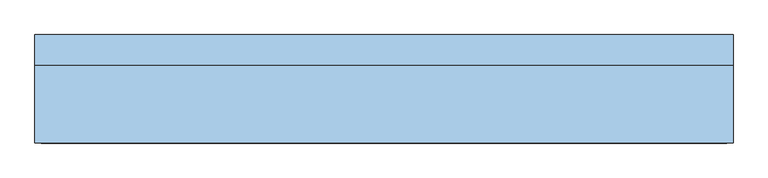
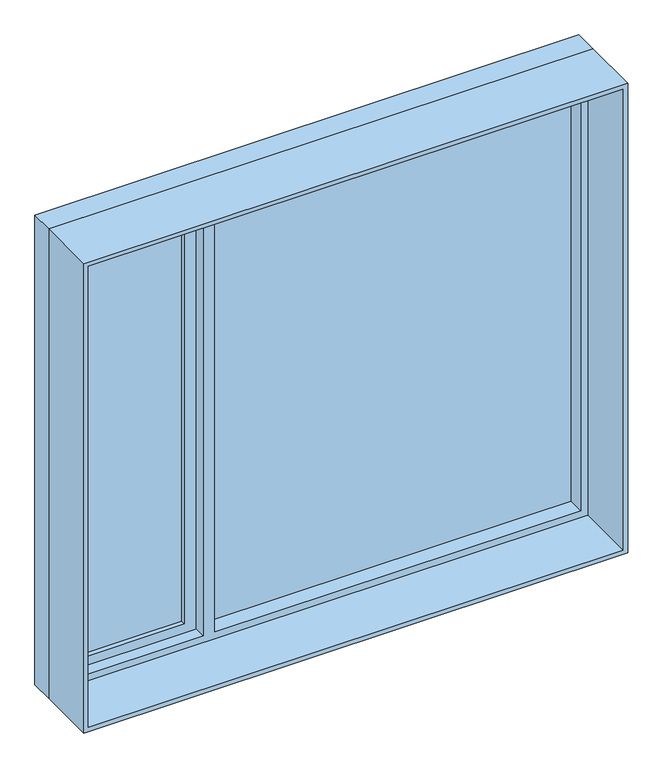
"""IFC4 building model written with IfcOpenShell, lengths in millimetres: window geometry."""

from ifc_helpers import new_model, si_unit, frame, origin, place, context, project, spatial, polyline, outline, extrude, source, transform, mapped, element, save


def window_8929f70b(model_context):
    return source(origin(), model_context, "Body", "SweptSolid", [
        extrude(outline(polyline([(2950.0, -537.3982693), (2950.0, -1137.3982693), (960.0, -1137.3982693), (960.0, -537.3982693), (2950.0, -537.3982693)]), holes=[polyline([(1000.0, -1097.3982693), (2910.0, -1097.3982693), (2910.0, -587.3982693), (1000.0, -587.3982693), (1000.0, -1097.3982693)])]), frame((0.0, 98.0, 0.0), z_axis=(0.0, 1.0, 0.0), x_axis=(0.0, 0.0, 1.0)), (0.0, 0.0, 1.0), 50.0),
        extrude(outline(polyline([(3000.0, -1187.3982693), (910.0, -1187.3982693), (910.0, 1102.6017307), (3000.0, 1102.6017307), (3000.0, -1187.3982693)]), holes=[polyline([(2950.0, -537.3982693), (960.0, -537.3982693), (960.0, -1137.3982693), (2950.0, -1137.3982693), (2950.0, -537.3982693)]), polyline([(2950.0, -487.3982693), (2950.0, 1052.6017307), (960.0, 1052.6017307), (960.0, -487.3982693), (2950.0, -487.3982693)])]), frame((0.0, 48.0, 0.0), z_axis=(0.0, 1.0, 0.0), x_axis=(0.0, 0.0, 1.0)), (0.0, 0.0, 1.0), 100.0),
        extrude(outline(polyline([(-487.3982693, 128.0), (1052.6017307, 128.0), (1052.6017307, 118.0), (-487.3982693, 118.0), (-487.3982693, 128.0)])), frame((0.0, 0.0, 960.0), z_axis=(0.0, 0.0, 1.0), x_axis=(1.0, 0.0, 0.0)), (0.0, 0.0, 1.0), 1990.0),
        extrude(outline(polyline([(-1097.3982693, 128.0), (-587.3982693, 128.0), (-587.3982693, 118.0), (-1097.3982693, 118.0), (-1097.3982693, 128.0)])), frame((0.0, 0.0, 1000.0), z_axis=(0.0, 0.0, 1.0), x_axis=(1.0, 0.0, 0.0)), (0.0, 0.0, 1.0), 1910.0),
        extrude(outline(polyline([(910.0, 1102.6017307), (3000.0, 1102.6017307), (3000.0, -1187.3982693), (910.0, -1187.3982693), (910.0, 1102.6017307)]), holes=[polyline([(930.0, 1082.6017307), (930.0, -1167.3982693), (2980.0, -1167.3982693), (2980.0, 1082.6017307), (930.0, 1082.6017307)])]), frame((0.0, -208.0, 0.0), z_axis=(0.0, 1.0, 0.0), x_axis=(0.0, 0.0, 1.0)), (0.0, 0.0, 1.0), 256.0),
    ])


if __name__ == "__main__":
    model = new_model("IFC4")
    model_context = context("Model", 3, world=origin())
    ifc_project = project(units=[si_unit("LENGTHUNIT", "METRE", prefix="MILLI")], contexts=[model_context])
    site = spatial("IfcSite", under=ifc_project)
    building = spatial("IfcBuilding", under=site)
    placement = place(None, origin())
    window_shape = window_8929f70b(model_context)
    element("IfcWindow", 1, at=placement, inside=building, context=model_context, shape_type="MappedRepresentation", body=[
        mapped(window_shape, transform((0.0, 0.0, 0.0), x_axis=(1.0, 0.0, 0.0), y_axis=(0.0, 1.0, 0.0), z_axis=(0.0, 0.0, 1.0))),
    ])
    save(model, "model.ifc")
